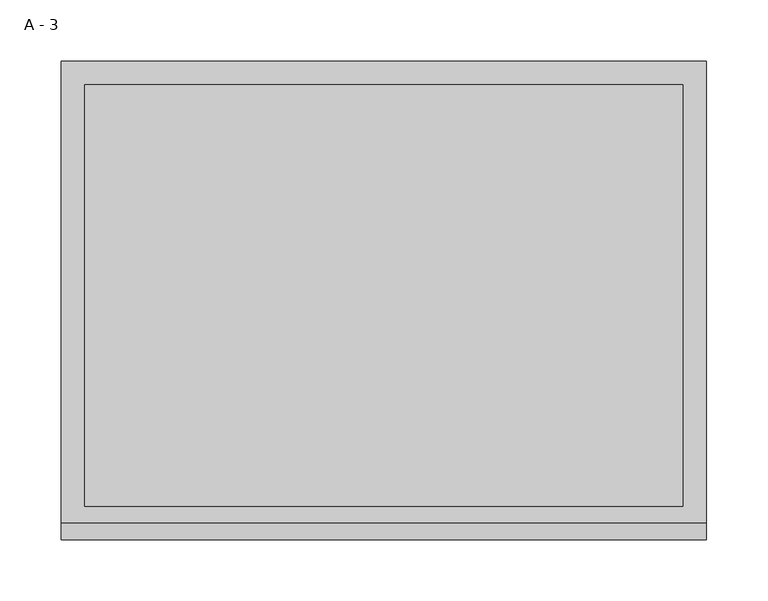
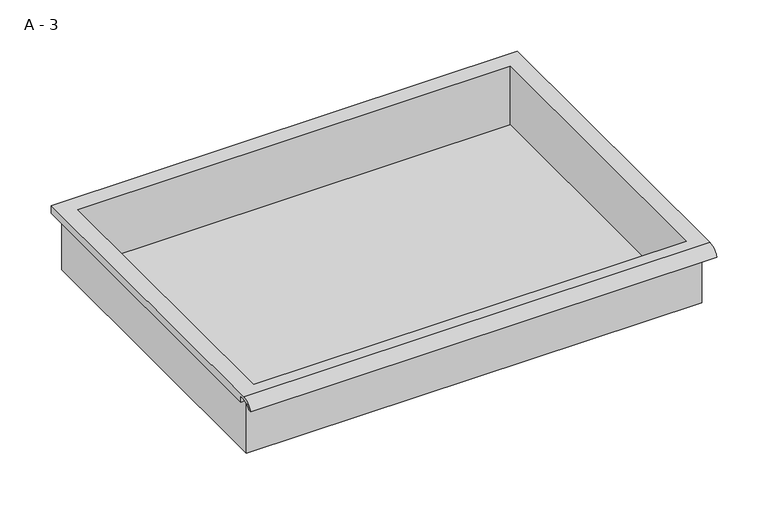
"""IFC4 building model written with IfcOpenShell, lengths in millimetres: furniture geometry, A - 3."""

from ifc_helpers import new_model, si_unit, frame, origin, place, context, project, spatial, polyline, circle_curve, source, transform, mapped, element, save
from ifc_brep_helpers import plane_surface, cylinder_surface, revolved_surface, advanced_brep


def a_3_c993c428(model_context):
    return source(origin(), model_context, "Body", "AdvancedBrep", [
        advanced_brep(
        [(-257.1076517, -176.2125, 641.35), (257.2423483, -176.2125, 641.35), (257.2423483, -176.2125, 704.85), (263.5923483, -176.2125, 704.85), (263.5923483, -176.2125, 711.1571341), (-263.4576517, -176.2125, 711.1571341), (-263.4576517, -176.2125, 704.85), (-257.1076517, -176.2125, 704.85), (257.2423483, 185.7375, 641.35), (-257.1076517, 185.7375, 641.35), (-257.1076517, 185.7375, 704.85), (257.2423483, 185.7375, 704.85), (263.5923483, -181.6070544, 714.375), (263.5923483, 195.2625, 714.375), (-263.4576517, 195.2625, 714.375), (-263.4576517, -181.6070544, 714.375), (244.5423483, -168.275, 714.375), (-244.4076517, -168.275, 714.375), (-244.4076517, 176.2125, 714.375), (244.5423483, 176.2125, 714.375), (263.5923483, -195.2625, 704.85), (263.5923483, -191.8280601, 704.85), (263.5923483, -180.4714815, 711.1571341), (263.5923483, 195.2625, 704.85), (-263.4576517, 195.2625, 704.85), (-263.4576517, -180.4714815, 711.1571341), (-263.4576517, -191.8280601, 704.85), (-263.4576517, -195.2625, 704.85), (-244.4076517, -168.275, 644.3761719), (244.5423483, -168.275, 644.3761719), (244.5423483, 176.2125, 644.3761719), (-244.4076517, 176.2125, 644.3761719)],
        [
            (0, 1),
            (1, 2),
            (2, 3),
            (3, 4),
            (4, 5),
            (5, 6),
            (6, 7),
            (7, 0),
            (8, 9),
            (9, 10),
            (10, 11),
            (11, 8),
            (0, 9),
            (8, 1),
            (11, 2),
            (12, 13),
            (13, 14),
            (14, 15),
            (15, 12),
            (16, 17),
            (17, 18),
            (18, 19),
            (19, 16),
            (7, 10),
            (12, 20, circle_curve(frame((263.5923483, -181.6070544, 699.8239859), z_axis=(1.0, 0.0, 0.0), x_axis=(0.0, 1.0, 0.0)), 14.5510141)),
            (20, 21),
            (21, 22, circle_curve(frame((263.5923483, -181.6070544, 699.8239859), z_axis=(-1.0, 0.0, 0.0), x_axis=(0.0, 1.0, 0.0)), 11.3898979)),
            (22, 4),
            (3, 23),
            (23, 13),
            (14, 24),
            (24, 6),
            (5, 25),
            (25, 26, circle_curve(frame((-263.4576517, -181.6070544, 699.8239859), z_axis=(1.0, 0.0, 0.0), x_axis=(0.0, 1.0, 0.0)), 11.3898979)),
            (26, 27),
            (27, 15, circle_curve(frame((-263.4576517, -181.6070544, 699.8239859), z_axis=(-1.0, 0.0, 0.0), x_axis=(0.0, 1.0, 0.0)), 14.5510141)),
            (27, 20),
            (26, 21),
            (25, 22),
            (24, 23),
            (28, 29),
            (29, 30),
            (30, 31),
            (31, 28),
            (28, 17),
            (16, 29),
            (19, 30),
            (18, 31),
        ],
        [
            plane_surface(frame((257.2423483, -176.2125, 641.35), z_axis=(0.0, -1.0, 0.0), x_axis=(1.0, 0.0, 0.0))),
            plane_surface(frame((257.2423483, 185.7375, 641.35), z_axis=(0.0, 1.0, 0.0), x_axis=(-1.0, 0.0, 0.0))),
            plane_surface(frame((-257.1076517, -176.2125, 641.35), z_axis=(0.0, 0.0, -1.0), x_axis=(0.0, 1.0, 0.0))),
            plane_surface(frame((257.2423483, -176.2125, 641.35), z_axis=(1.0, 0.0, 0.0), x_axis=(0.0, 1.0, 0.0))),
            plane_surface(frame((257.2423483, -176.2125, 714.375), z_axis=(0.0, 0.0, 1.0), x_axis=(0.0, 1.0, 0.0))),
            plane_surface(frame((-257.1076517, -176.2125, 714.375), z_axis=(-1.0, 0.0, 0.0), x_axis=(0.0, 1.0, 0.0))),
            plane_surface(frame((263.5923483, 195.2625, 714.375), z_axis=(1.0, 0.0, 0.0), x_axis=(0.0, -1.0, 0.0))),
            plane_surface(frame((-263.4576517, 195.2625, 714.375), z_axis=(-1.0, 0.0, 0.0), x_axis=(0.0, 1.0, 0.0))),
            cylinder_surface(frame((-263.4576517, -181.6070544, 699.8239859), z_axis=(1.0, 0.0, 0.0), x_axis=(0.0, 1.0, 0.0)), 14.5510141),
            plane_surface(frame((263.5923483, -195.2625, 704.85), z_axis=(0.0, -7.172997036885722e-12, -1.0), x_axis=(-1.0, 0.0, 0.0))),
            revolved_surface(polyline([(-263.4576517, -170.21715650000002, 699.8239859), (263.59234829999997, -170.21715650000002, 699.8239859)]), (-263.4576517, -181.6070544, 699.8239859), (-1.0, 0.0, 0.0)),
            plane_surface(frame((263.5923483, -180.4714815, 711.1571341), z_axis=(0.0, -1.77660646577856e-11, -1.0), x_axis=(-1.0, 0.0, 0.0))),
            plane_surface(frame((263.5923483, -176.2125, 704.85), z_axis=(0.0, 0.0, -1.0), x_axis=(-1.0, 0.0, 0.0))),
            plane_surface(frame((263.5923483, 195.2625, 704.85), z_axis=(0.0, 1.0, 0.0), x_axis=(-1.0, 0.0, 0.0))),
            plane_surface(frame((244.5423483, -168.275, 644.3761719), z_axis=(0.0, 0.0, 1.0), x_axis=(-1.0, 0.0, 0.0))),
            plane_surface(frame((-244.4076517, -168.275, 714.375), z_axis=(0.0, 1.0, 0.0), x_axis=(0.0, 0.0, -1.0))),
            plane_surface(frame((244.5423483, -168.275, 714.375), z_axis=(-1.0, 0.0, 0.0), x_axis=(0.0, 0.0, -1.0))),
            plane_surface(frame((244.5423483, 176.2125, 714.375), z_axis=(0.0, -1.0, 0.0), x_axis=(0.0, 0.0, -1.0))),
            plane_surface(frame((-244.4076517, 176.2125, 714.375), z_axis=(1.0, 0.0, 0.0), x_axis=(0.0, 0.0, -1.0))),
        ],
        [
            (0, [[1, 2, 3, 4, 5, 6, 7, 8]]),
            (1, [[9, 10, 11, 12]]),
            (2, [[-1, 13, -9, 14]]),
            (3, [[-14, -12, 15, -2]]),
            (4, [[16, 17, 18, 19], [20, 21, 22, 23]]),
            (5, [[-13, -8, 24, -10]]),
            (6, [[-16, 25, 26, 27, 28, -4, 29, 30]]),
            (7, [[31, 32, -6, 33, 34, 35, 36, -18]]),
            (8, [[-25, -19, -36, 37]]),
            (9, [[-26, -37, -35, 38]]),
            (10, [[-27, -38, -34, 39]]),
            (11, [[-28, -39, -33, -5]]),
            (12, [[-29, -3, -15, -11, -24, -7, -32, 40]]),
            (13, [[-30, -40, -31, -17]]),
            (14, [[41, 42, 43, 44]]),
            (15, [[-41, 45, -20, 46]]),
            (16, [[-42, -46, -23, 47]]),
            (17, [[-43, -47, -22, 48]]),
            (18, [[-44, -48, -21, -45]]),
        ],
    ),
    ])


if __name__ == "__main__":
    model = new_model("IFC4")
    model_context = context("Model", 3, world=origin())
    ifc_project = project(units=[si_unit("LENGTHUNIT", "METRE", prefix="MILLI")], contexts=[model_context])
    site = spatial("IfcSite", under=ifc_project)
    building = spatial("IfcBuilding", under=site)
    placement = place(None, origin())
    a_3_shape = a_3_c993c428(model_context)
    element("IfcFurniture", 1, ObjectType="A - 3", at=placement, inside=building, context=model_context, shape_type="MappedRepresentation", body=[
        mapped(a_3_shape, transform((0.0, 0.0, 0.0), x_axis=(1.0, 0.0, 0.0), y_axis=(0.0, 1.0, 0.0), z_axis=(0.0, 0.0, 1.0))),
    ])
    save(model, "model.ifc")
